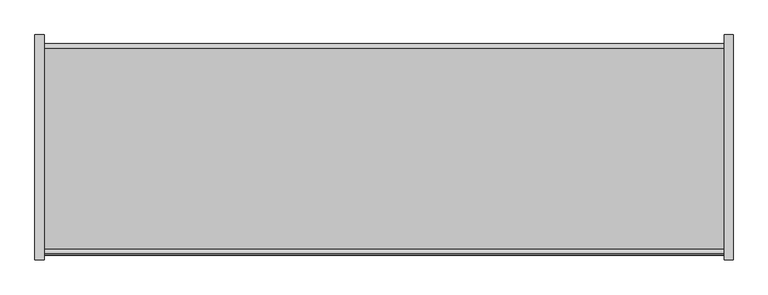
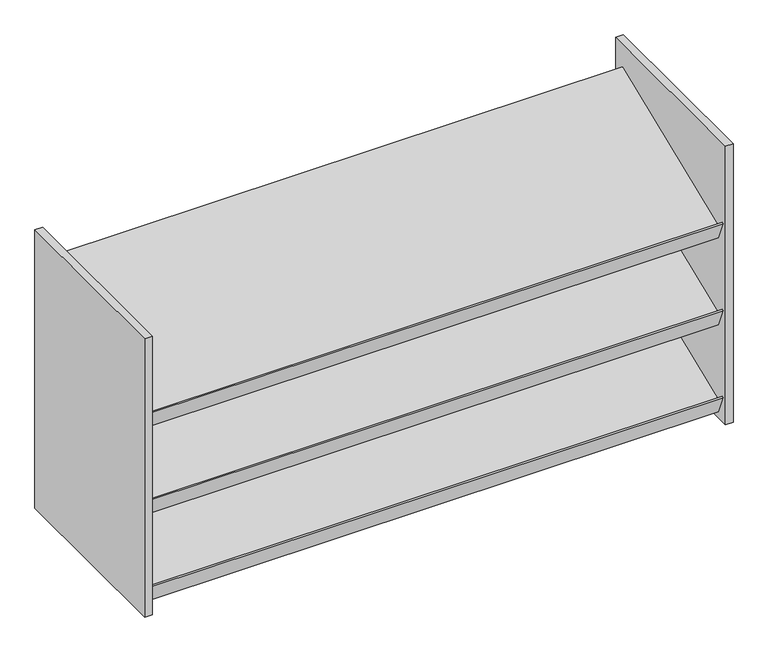
"""IFC4 building model written with IfcOpenShell, lengths in millimetres: furniture geometry."""

import ifcopenshell
import ifcopenshell.guid

model = None  # the IFC model being written
_history = None  # IfcOwnerHistory: only IFC2X3 demands one
_inside = {}  # id of a spatial element -> (the spatial element, [elements in it])
_under = {}  # id of a project, library or spatial element -> (it, [spatial elements below it])
_declared = {}  # id of a project -> (the project, [libraries it declares])
_typed = {}  # id of a type object -> (the type object, [elements of that type])
_made_of = {}  # id of a material, layer set ... -> (it, [elements and type objects made of it])


def new_model(schema):
    """Start an empty IFC model of exactly this schema.

    Asked for "IFC4X3", IfcOpenShell would pick the latest addendum, in which some entities
    have other attributes; the version numbers below select the first issue.
    IFC2X3 requires an IfcOwnerHistory on every rooted entity: one is made here for all.
    """
    global model, _history
    if schema == "IFC4X3":
        model = ifcopenshell.file(schema_version=(4, 3, 0, 0))
    else:
        model = ifcopenshell.file(schema=schema)
    _inside.clear()
    _under.clear()
    _declared.clear()
    _typed.clear()
    _made_of.clear()
    _history = None
    if model.schema == "IFC2X3":
        org = make("IfcOrganization", Name="unknown")
        user = make(
            "IfcPersonAndOrganization",
            ThePerson=make("IfcPerson", FamilyName="unknown"),
            TheOrganization=org,
        )
        app = make(
            "IfcApplication",
            ApplicationDeveloper=org,
            Version="unknown",
            ApplicationFullName="unknown",
            ApplicationIdentifier="unknown",
        )
        _history = make(
            "IfcOwnerHistory",
            OwningUser=user,
            OwningApplication=app,
            ChangeAction="ADDED",
            CreationDate=0,
        )
    return model


def make(cls, **values):
    """One entity of the class cls with the attributes given. An attribute that is None is left unset."""
    return model.create_entity(
        cls, **{name: value for name, value in values.items() if value is not None}
    )


def rooted(cls, **values):
    """An entity with a GlobalId (a new one), such as an element, a storey or a relation."""
    return make(cls, GlobalId=ifcopenshell.guid.new(), OwnerHistory=_history, **values)


def si_unit(unit_type, name, prefix=None):
    """IfcSIUnit, for example si_unit("LENGTHUNIT", "METRE", prefix="MILLI")."""
    return make("IfcSIUnit", UnitType=unit_type, Prefix=prefix, Name=name)


def assignment(units):
    """IfcUnitAssignment: the units of a project."""
    return None if units is None else make("IfcUnitAssignment", Units=units)


def point(xyz):
    """IfcCartesianPoint."""
    return None if xyz is None else make("IfcCartesianPoint", Coordinates=xyz)


def direction(xyz):
    """IfcDirection."""
    return None if xyz is None else make("IfcDirection", DirectionRatios=xyz)


def frame(location, z_axis=None, x_axis=None):
    """IfcAxis2Placement3D, a coordinate frame: its origin and axes. An axis left out is left unset."""
    return make(
        "IfcAxis2Placement3D",
        Location=point(location),
        Axis=direction(z_axis),
        RefDirection=direction(x_axis),
    )


def origin():
    """The frame at (0, 0, 0) with its axes left unset."""
    return frame((0.0, 0.0, 0.0))


def place(relative_to, where):
    """IfcLocalPlacement: puts the frame where relative to a parent placement (None: the world)."""
    return make(
        "IfcLocalPlacement", PlacementRelTo=relative_to, RelativePlacement=where
    )


def context(
    kind, dimensions, precision=None, world=None, true_north=None, identifier=None
):
    """IfcGeometricRepresentationContext, for example the 3D "Model" context."""
    return make(
        "IfcGeometricRepresentationContext",
        ContextIdentifier=identifier,
        ContextType=kind,
        CoordinateSpaceDimension=dimensions,
        Precision=precision,
        WorldCoordinateSystem=world,
        TrueNorth=true_north,
    )


def project(units=None, contexts=None):
    """IfcProject with its units and contexts."""
    return rooted(
        "IfcProject",
        Name="project",
        RepresentationContexts=contexts,
        UnitsInContext=assignment(units),
    )


def spatial(cls, under=None, at=None, **own):
    """A site, building, storey or space (cls), placed at a placement, below another one or the project."""
    s = rooted(cls, ObjectPlacement=at, **own)
    if under is not None:
        _under.setdefault(under.id(), (under, []))[1].append(s)
    return s


def polyline(points):
    """IfcPolyline through the points."""
    return make("IfcPolyline", Points=[point(p) for p in points])


def outline(outer, holes=None, kind="AREA"):
    """IfcArbitraryClosedProfileDef: a profile drawn as a closed curve; with holes, ...WithVoids."""
    if holes is None:
        return make("IfcArbitraryClosedProfileDef", ProfileType=kind, OuterCurve=outer)
    return make(
        "IfcArbitraryProfileDefWithVoids",
        ProfileType=kind,
        OuterCurve=outer,
        InnerCurves=holes,
    )


def extrude(swept, where, along, depth):
    """IfcExtrudedAreaSolid: the profile swept, set in the frame where, extruded along a direction by depth."""
    return make(
        "IfcExtrudedAreaSolid",
        SweptArea=swept,
        Position=where,
        ExtrudedDirection=direction(along),
        Depth=depth,
    )


def shape(context_of_items, identifier, shape_type, items):
    """IfcShapeRepresentation: the items that make up one representation, for example the "Body"."""
    return make(
        "IfcShapeRepresentation",
        ContextOfItems=context_of_items,
        RepresentationIdentifier=identifier,
        RepresentationType=shape_type,
        Items=items,
    )


def source(mapping_origin, context_of_items, identifier, shape_type, items):
    """IfcRepresentationMap: a shape defined once, which mapped items show again and again."""
    return make(
        "IfcRepresentationMap",
        MappingOrigin=mapping_origin,
        MappedRepresentation=shape(context_of_items, identifier, shape_type, items),
    )


def transform(
    local_origin,
    x_axis=None,
    y_axis=None,
    z_axis=None,
    scale=None,
    scale2=None,
    scale3=None,
    uniform=True,
):
    """IfcCartesianTransformationOperator3D, or its non-uniform kind. x_axis, y_axis, z_axis: its Axis1, 2, 3."""
    if uniform:
        return make(
            "IfcCartesianTransformationOperator3D",
            Axis1=direction(x_axis),
            Axis2=direction(y_axis),
            LocalOrigin=point(local_origin),
            Scale=scale,
            Axis3=direction(z_axis),
        )
    return make(
        "IfcCartesianTransformationOperator3DnonUniform",
        Axis1=direction(x_axis),
        Axis2=direction(y_axis),
        LocalOrigin=point(local_origin),
        Scale=scale,
        Axis3=direction(z_axis),
        Scale2=scale2,
        Scale3=scale3,
    )


def mapped(mapping_source, mapping_target):
    """IfcMappedItem: shows the shape of a source again, moved by a transform."""
    return make(
        "IfcMappedItem", MappingSource=mapping_source, MappingTarget=mapping_target
    )


def made_of(thing, what):
    """Note that an element or type object is made of a material, layer set ...; save() writes the relation."""
    if what is not None:
        _made_of.setdefault(what.id(), (what, []))[1].append(thing)
    return thing


def element(
    cls,
    number,
    at=None,
    inside=None,
    cuts=None,
    type_object=None,
    material=None,
    context=None,
    identifier="Body",
    shape_type=None,
    held_by="IfcProductDefinitionShape",
    body=None,
    shapes=None,
    **own,
):
    """One element of the class cls, such as IfcWall. Its Tag is "e" and its number.

    at: its placement. inside: the storey or other place that contains it. cuts: it is an
    opening in that element (IfcRelVoidsElement). A single representation is given by context,
    identifier, shape_type and body (its items); several are given by shapes. held_by: the class
    of the entity that holds the representations. save() writes the other relations.
    """
    e = rooted(cls, Tag="e%d" % number, ObjectPlacement=at, **own)
    if body is not None:
        shapes = [shape(context, identifier, shape_type, body)]
    if shapes is not None:
        e.Representation = make(held_by, Representations=shapes)
    if inside is not None:
        _inside.setdefault(inside.id(), (inside, []))[1].append(e)
    if cuts is not None:
        rooted(
            "IfcRelVoidsElement", RelatingBuildingElement=cuts, RelatedOpeningElement=e
        )
    if type_object is not None:
        _typed.setdefault(type_object.id(), (type_object, []))[1].append(e)
    return made_of(e, material)


def aggregate(whole, parts):
    """IfcRelAggregates: a whole, such as a stair, and the parts it consists of."""
    return rooted("IfcRelAggregates", RelatingObject=whole, RelatedObjects=parts)


def save(model, path):
    """Write the relations noted so far, then the file.

    IfcRelAggregates (storeys below a building ...), IfcRelContainedInSpatialStructure (elements
    in a storey), IfcRelDefinesByType, IfcRelAssociatesMaterial and IfcRelDeclares: one each for
    every whole, place, type object, material and project.
    """
    for whole, parts in _under.values():
        aggregate(whole, parts)
    for where, things in _inside.values():
        rooted(
            "IfcRelContainedInSpatialStructure",
            RelatedElements=things,
            RelatingStructure=where,
        )
    for kind, things in _typed.values():
        rooted("IfcRelDefinesByType", RelatedObjects=things, RelatingType=kind)
    for what, things in _made_of.values():
        rooted("IfcRelAssociatesMaterial", RelatedObjects=things, RelatingMaterial=what)
    for by, libraries in _declared.values():
        rooted("IfcRelDeclares", RelatingContext=by, RelatedDefinitions=libraries)
    model.write(path)


def furniture_076c3883(model_context):
    return source(origin(), model_context, "Body", "SweptSolid", [
        extrude(outline(polyline([(-180.975, 1816.1), (-197.8336902, 1857.8267226), (-194.8898815, 1859.0160985), (-187.5461987, 1840.8398458), (162.7670411, 1982.375582), (172.2820486, 1958.8251121), (-180.975, 1816.1)])), frame((-593.725, 0.0, 0.0), z_axis=(1.0, 0.0, 0.0), x_axis=(0.0, 1.0, 0.0)), (0.0, 0.0, 1.0), 1187.45),
        extrude(outline(polyline([(-180.975, 1625.6), (-197.8336902, 1667.3267226), (-194.8898815, 1668.5160985), (-187.5461987, 1650.3398458), (162.7670411, 1791.875582), (172.2820486, 1768.3251121), (-180.975, 1625.6)])), frame((-593.725, 0.0, 0.0), z_axis=(1.0, 0.0, 0.0), x_axis=(0.0, 1.0, 0.0)), (0.0, 0.0, 1.0), 1187.45),
        extrude(outline(polyline([(-180.975, 1435.1), (-197.8336902, 1476.8267226), (-194.8898815, 1478.0160985), (-187.5461987, 1459.8398458), (162.7670411, 1601.375582), (172.2820486, 1577.8251121), (-180.975, 1435.1)])), frame((-593.725, 0.0, 0.0), z_axis=(1.0, 0.0, 0.0), x_axis=(0.0, 1.0, 0.0)), (0.0, 0.0, 1.0), 1187.45),
        extrude(outline(polyline([(-593.725, 187.325), (-593.725, -206.375), (-609.6, -206.375), (-609.6, 187.325), (-593.725, 187.325)])), frame((0.0, 0.0, 1422.4), z_axis=(0.0, 0.0, 1.0), x_axis=(1.0, 0.0, 0.0)), (0.0, 0.0, 1.0), 609.6),
        extrude(outline(polyline([(609.6, 187.325), (609.6, -206.375), (593.725, -206.375), (593.725, 187.325), (609.6, 187.325)])), frame((0.0, 0.0, 1422.4), z_axis=(0.0, 0.0, 1.0), x_axis=(1.0, 0.0, 0.0)), (0.0, 0.0, 1.0), 609.6),
    ])


if __name__ == "__main__":
    model = new_model("IFC4")
    model_context = context("Model", 3, world=origin())
    ifc_project = project(units=[si_unit("LENGTHUNIT", "METRE", prefix="MILLI")], contexts=[model_context])
    site = spatial("IfcSite", under=ifc_project)
    building = spatial("IfcBuilding", under=site)
    placement = place(None, origin())
    furniture_shape = furniture_076c3883(model_context)
    element("IfcFurniture", 1, at=placement, inside=building, context=model_context, shape_type="MappedRepresentation", body=[
        mapped(furniture_shape, transform((0.0, 0.0, 0.0), x_axis=(1.0, 0.0, 0.0), y_axis=(0.0, 1.0, 0.0), z_axis=(0.0, 0.0, 1.0))),
    ])
    save(model, "model.ifc")
